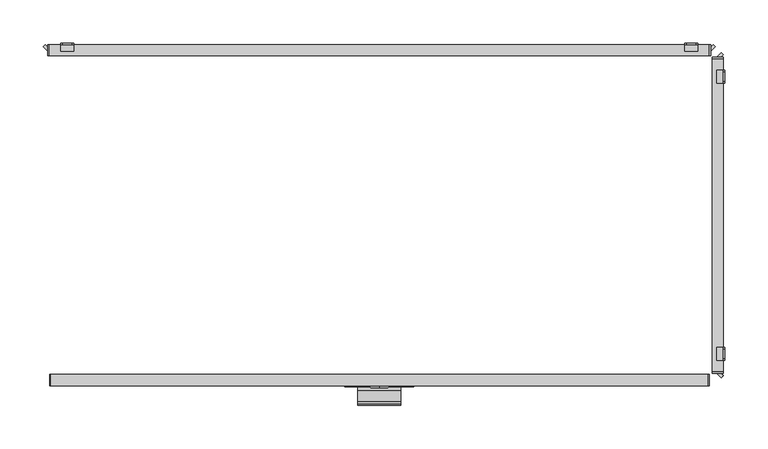
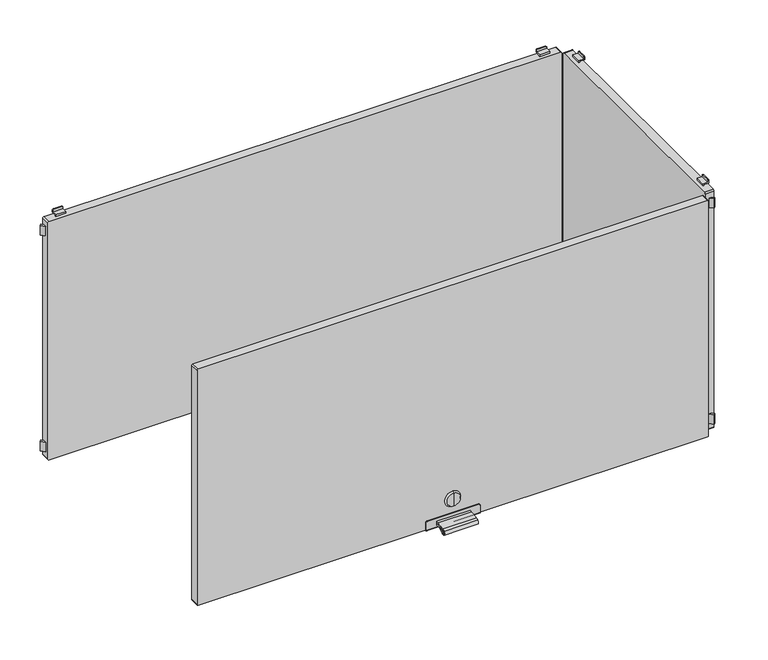
"""IFC4 building model written with IfcOpenShell, lengths in millimetres: furniture geometry."""

from ifc_helpers import new_model, si_unit, point, frame, frame_2d, origin, place, context, project, spatial, polyline, circle_curve, trimmed, segment, composite_curve, outline, extrude, source, transform, mapped, element, save
from ifc_brep_helpers import plane_surface, cylinder_surface, revolved_surface, advanced_brep


def furniture_6ed22f02(model_context):
    return source(origin(), model_context, "Body", "SolidModel", [
        extrude(outline(composite_curve([segment(polyline([(-202.226909, 130.4286545), (-198.5, 130.4286545), (-198.5, 128.5286545), (-202.226909, 128.5286545)]), True, "CONTINUOUS"), segment(trimmed(circle_curve(frame_2d((-202.226909, 86.4886922)), 42.0399623), [point((-202.226909, 128.5286545))], [point((-214.4555436, 126.710812))], True, "CARTESIAN"), True, "CONTINUOUS"), segment(trimmed(circle_curve(frame_2d((-212.0259096, 118.7193203)), 8.352668), [point((-214.4555436, 126.710812))], [point((-216.9670362, 125.4537341))], True, "CARTESIAN"), True, "CONTINUOUS"), segment(trimmed(circle_curve(frame_2d((-215.7726745, 123.8259018)), 2.0189943), [point((-216.9670362, 125.4537341))], [point((-214.4167634, 122.3299595))], True, "CARTESIAN"), True, "CONTINUOUS"), segment(trimmed(circle_curve(frame_2d((-202.2269079, 108.8812021)), 18.1510786), [point((-214.4167634, 122.3299595))], [point((-202.2269079, 127.0322806))], False, "CARTESIAN"), True, "CONTINUOUS"), segment(polyline([(-202.2269079, 127.0322806), (-198.5, 127.0322806), (-198.5, 125.1322806), (-202.2269079, 125.1322806)]), True, "CONTINUOUS"), segment(trimmed(circle_curve(frame_2d((-202.2269079, 108.8812021)), 16.2510786), [point((-202.2269079, 125.1322806))], [point((-213.1407662, 120.9221843))], True, "CARTESIAN"), True, "CONTINUOUS"), segment(trimmed(circle_curve(frame_2d((-215.7726745, 123.8259018)), 3.9189943), [point((-213.1407662, 120.9221843))], [point((-218.0910053, 126.9856263))], False, "CARTESIAN"), True, "CONTINUOUS"), segment(trimmed(circle_curve(frame_2d((-212.0259096, 118.7193203)), 10.252668), [point((-218.0910053, 126.9856263))], [point((-215.0082179, 128.5286545))], False, "CARTESIAN"), True, "CONTINUOUS"), segment(trimmed(circle_curve(frame_2d((-202.226909, 86.4886922)), 43.9399623), [point((-215.0082179, 128.5286545))], [point((-202.226909, 130.4286545))], False, "CARTESIAN"), True, "CONTINUOUS")], self_intersect=False)), frame((-25.0, 0.0, 0.0), z_axis=(1.0, 0.0, 0.0), x_axis=(0.0, 1.0, 0.0)), (0.0, 0.0, 1.0), 50.0),
        advanced_brep(
        [(0.0, -199.7, 156.6837841), (0.0, -199.7, 166.6265951), (0.0, -199.7, 146.740973), (0.0, -197.0, 144.8059292), (0.0, -197.0, 168.5616389), (0.0, -197.0, 156.6837841)],
        [
            (0, 1),
            (1, 2, circle_curve(frame((0.0, -199.7, 156.6837841), z_axis=(0.0, -1.0, 0.0), x_axis=(0.0, 0.0, 1.0)), 9.9428111)),
            (2, 0),
            (2, 1, circle_curve(frame((0.0, -199.7, 156.6837841), z_axis=(0.0, -1.0, 0.0), x_axis=(0.0, 0.0, 1.0)), 9.9428111)),
            (3, 4, circle_curve(frame((0.0, -197.0, 156.6837841), z_axis=(0.0, 1.0, 0.0), x_axis=(0.0, 0.0, 1.0)), 11.8778548)),
            (4, 5),
            (5, 3),
            (4, 3, circle_curve(frame((0.0, -197.0, 156.6837841), z_axis=(0.0, 1.0, 0.0), x_axis=(0.0, 0.0, 1.0)), 11.8778548)),
            (1, 4),
            (3, 2),
        ],
        [
            plane_surface(frame((0.0, -199.7, 156.6837841), z_axis=(0.0, -1.0, 0.0), x_axis=(0.0, 0.0, 1.0))),
            plane_surface(frame((0.0, -197.0, 156.6837841), z_axis=(0.0, 1.0, 0.0), x_axis=(0.0, 0.0, 1.0))),
            revolved_surface(polyline([(0.0, -197.0, 168.5616389), (0.0, -199.7, 166.6265951)]), (0.0, -202.2563621, 156.6837841), (0.0, -1.0, 0.0)),
        ],
        [
            (0, [[1, 2, 3]]),
            (0, [[-3, 4, -1]]),
            (1, [[5, 6, 7]]),
            (1, [[8, -7, -6]]),
            (2, [[-2, 9, -5, 10]]),
            (2, [[-4, -10, -8, -9]]),
        ],
    ),
        advanced_brep(
        [(38.2, -198.5, 135.0), (-38.2, -198.5, 135.0), (-40.0, -198.5, 133.2), (-40.0, -198.5, 122.0), (40.0, -198.5, 122.0), (40.0, -198.5, 133.2), (38.2, -197.0, 135.0), (40.0, -197.0, 133.2), (40.0, -197.0, 121.5), (-40.0, -197.0, 121.5), (-40.0, -197.0, 133.2), (-38.2, -197.0, 135.0), (-40.0, -184.0, 121.5), (-40.0, -184.0, 120.0), (-40.0, -196.5, 120.0), (40.0, -196.5, 120.0), (40.0, -184.0, 120.0), (40.0, -184.0, 121.5)],
        [
            (0, 1),
            (1, 2, circle_curve(frame((-38.2, -198.5, 133.2), z_axis=(0.0, -1.0, 0.0), x_axis=(1.0, 0.0, 0.0)), 1.8)),
            (2, 3),
            (3, 4),
            (4, 5),
            (5, 0, circle_curve(frame((38.2, -198.5, 133.2), z_axis=(0.0, -1.0, 0.0), x_axis=(1.0, 0.0, 0.0)), 1.8)),
            (6, 7, circle_curve(frame((38.2, -197.0, 133.2), z_axis=(0.0, 1.0, 0.0), x_axis=(1.0, 0.0, 0.0)), 1.8)),
            (7, 8),
            (8, 9),
            (9, 10),
            (10, 11, circle_curve(frame((-38.2, -197.0, 133.2), z_axis=(0.0, 1.0, 0.0), x_axis=(1.0, 0.0, 0.0)), 1.8)),
            (11, 6),
            (0, 6),
            (11, 1),
            (10, 2),
            (9, 12),
            (12, 13),
            (13, 14),
            (14, 3, circle_curve(frame((-40.0, -196.5, 122.0), z_axis=(-1.0, 0.0, 0.0), x_axis=(0.0, 1.0, 0.0)), 2.0)),
            (4, 15, circle_curve(frame((40.0, -196.5, 122.0), z_axis=(1.0, 0.0, 0.0), x_axis=(0.0, 1.0, 0.0)), 2.0)),
            (15, 16),
            (16, 17),
            (17, 8),
            (7, 5),
            (15, 14),
            (13, 16),
            (12, 17),
        ],
        [
            plane_surface(frame((-40.0, -198.5, 135.0), z_axis=(0.0, -1.0, 0.0), x_axis=(-1.0, 0.0, 0.0))),
            plane_surface(frame((-40.0, -197.0, 135.0), z_axis=(0.0, 1.0, 0.0), x_axis=(1.0, 0.0, 0.0))),
            plane_surface(frame((38.2, -198.5, 135.0), z_axis=(0.0, 0.0, 1.0), x_axis=(0.0, 1.0, 0.0))),
            cylinder_surface(frame((-38.2, -197.0, 133.2), z_axis=(0.0, -1.0, 0.0), x_axis=(1.0, 0.0, 0.0)), 1.8),
            plane_surface(frame((-40.0, -198.5, 133.2), z_axis=(-1.0, 0.0, 0.0), x_axis=(0.0, 1.0, 0.0))),
            plane_surface(frame((40.0, -198.5, 124.5), z_axis=(1.0, 0.0, 0.0), x_axis=(0.0, 1.0, 0.0))),
            cylinder_surface(frame((38.2, -197.0, 133.2), z_axis=(0.0, -1.0, 0.0), x_axis=(1.0, 0.0, 0.0)), 1.8),
            plane_surface(frame((40.0, -196.5, 120.0), z_axis=(0.0, 0.0, -1.0), x_axis=(-1.0, 0.0, 0.0))),
            plane_surface(frame((40.0, -184.0, 120.0), z_axis=(0.0, 1.0, 0.0), x_axis=(-1.0, 0.0, 0.0))),
            plane_surface(frame((40.0, -184.0, 121.5), z_axis=(0.0, 0.0, 1.0), x_axis=(-1.0, 0.0, 0.0))),
            cylinder_surface(frame((-40.0, -196.5, 122.0), z_axis=(1.0, 0.0, 0.0), x_axis=(0.0, 1.0, 0.0)), 2.0),
        ],
        [
            (0, [[1, 2, 3, 4, 5, 6]]),
            (1, [[7, 8, 9, 10, 11, 12]]),
            (2, [[-1, 13, -12, 14]]),
            (3, [[-2, -14, -11, 15]]),
            (4, [[-3, -15, -10, 16, 17, 18, 19]]),
            (5, [[-5, 20, 21, 22, 23, -8, 24]]),
            (6, [[-6, -24, -7, -13]]),
            (7, [[-21, 25, -18, 26]]),
            (8, [[-22, -26, -17, 27]]),
            (9, [[-23, -27, -16, -9]]),
            (10, [[-20, -4, -19, -25]]),
        ],
    ),
        extrude(outline(composite_curve([segment(polyline([(493.5, 379.0), (493.5, -379.0)]), True, "CONTINUOUS"), segment(trimmed(circle_curve(frame_2d((492.0, -379.0)), 1.5), [point((493.5, -379.0))], [point((492.0, -380.5))], False, "CARTESIAN"), True, "CONTINUOUS"), segment(polyline([(492.0, -380.5), (123.0, -380.5)]), True, "CONTINUOUS"), segment(trimmed(circle_curve(frame_2d((123.0, -379.0)), 1.5), [point((123.0, -380.5))], [point((121.5, -379.0))], False, "CARTESIAN"), True, "CONTINUOUS"), segment(polyline([(121.5, -379.0), (121.5, 379.0)]), True, "CONTINUOUS"), segment(trimmed(circle_curve(frame_2d((123.0, 379.0)), 1.5), [point((121.5, 379.0))], [point((123.0, 380.5))], False, "CARTESIAN"), True, "CONTINUOUS"), segment(polyline([(123.0, 380.5), (492.0, 380.5)]), True, "CONTINUOUS"), segment(trimmed(circle_curve(frame_2d((492.0, 379.0)), 1.5), [point((492.0, 380.5))], [point((493.5, 379.0))], False, "CARTESIAN"), True, "CONTINUOUS")], self_intersect=False)), frame((0.0, -197.0, 0.0), z_axis=(0.0, 1.0, 0.0), x_axis=(0.0, 0.0, 1.0)), (0.0, 0.0, 1.0), 13.0),
        advanced_brep(
        [(352.5, 197.0, 115.5), (354.5, 197.0, 113.5), (365.5, 197.0, 113.5), (367.5, 197.0, 115.5), (367.5, 197.0, 117.0), (352.5, 197.0, 117.0), (352.5, 198.5, 118.5), (367.5, 198.5, 118.5), (367.5, 198.5, 115.5), (365.5, 198.5, 113.5), (354.5, 198.5, 113.5), (352.5, 198.5, 115.5), (352.5, 189.5011497, 117.0), (352.5, 189.5011497, 120.0), (352.5, 191.0011497, 120.0), (352.5, 191.0011497, 118.5), (367.5, 191.0011497, 118.5), (367.5, 191.0011497, 120.0), (367.5, 189.5011497, 120.0), (367.5, 189.5011497, 117.0)],
        [
            (0, 1, circle_curve(frame((354.5, 197.0, 115.5), z_axis=(0.0, -1.0, 0.0), x_axis=(1.0, 0.0, 0.0)), 2.0)),
            (1, 2),
            (2, 3, circle_curve(frame((365.5, 197.0, 115.5), z_axis=(0.0, -1.0, 0.0), x_axis=(1.0, 0.0, 0.0)), 2.0)),
            (3, 4),
            (4, 5),
            (5, 0),
            (6, 7),
            (7, 8),
            (8, 9, circle_curve(frame((365.5, 198.5, 115.5), z_axis=(0.0, 1.0, 0.0), x_axis=(1.0, 0.0, 0.0)), 2.0)),
            (9, 10),
            (10, 11, circle_curve(frame((354.5, 198.5, 115.5), z_axis=(0.0, 1.0, 0.0), x_axis=(1.0, 0.0, 0.0)), 2.0)),
            (11, 6),
            (11, 0),
            (5, 12),
            (12, 13),
            (13, 14),
            (14, 15),
            (15, 6),
            (10, 1),
            (9, 2),
            (8, 3),
            (7, 16),
            (16, 17),
            (17, 18),
            (18, 19),
            (19, 4),
            (15, 16),
            (12, 19),
            (18, 13),
            (17, 14),
        ],
        [
            plane_surface(frame((352.5, 197.0, 117.0), z_axis=(0.0, -1.0, 0.0), x_axis=(0.0, 0.0, -1.0))),
            plane_surface(frame((352.5, 198.5, 117.0), z_axis=(0.0, 1.0, 0.0), x_axis=(0.0, 0.0, 1.0))),
            plane_surface(frame((352.5, 197.0, 118.5), z_axis=(-1.0, 0.0, 0.0), x_axis=(0.0, 1.0, 0.0))),
            cylinder_surface(frame((354.5, 198.5, 115.5), z_axis=(0.0, -1.0, 0.0), x_axis=(1.0, 0.0, 0.0)), 2.0),
            plane_surface(frame((354.5, 197.0, 113.5), z_axis=(0.0, 0.0, -1.0), x_axis=(0.0, 1.0, 0.0))),
            cylinder_surface(frame((365.5, 198.5, 115.5), z_axis=(0.0, -1.0, 0.0), x_axis=(1.0, 0.0, 0.0)), 2.0),
            plane_surface(frame((367.5, 197.0, 115.5), z_axis=(1.0, 0.0, 0.0), x_axis=(0.0, 1.0, 0.0))),
            plane_surface(frame((367.5, 197.0, 118.5), z_axis=(0.0, 0.0, 1.0), x_axis=(0.0, 1.0, 0.0))),
            plane_surface(frame((352.5, 189.5011497, 117.0), z_axis=(0.0, -1.0, 0.0), x_axis=(1.0, 0.0, 0.0))),
            plane_surface(frame((352.5, 189.5011497, 120.0), z_axis=(0.0, 0.0, 1.0), x_axis=(1.0, 0.0, 0.0))),
            plane_surface(frame((352.5, 191.0011497, 120.0), z_axis=(0.0, 1.0, 0.0), x_axis=(1.0, 0.0, 0.0))),
            plane_surface(frame((352.5, 197.0, 117.0), z_axis=(0.0, 0.0, -1.0), x_axis=(1.0, 0.0, 0.0))),
        ],
        [
            (0, [[1, 2, 3, 4, 5, 6]]),
            (1, [[7, 8, 9, 10, 11, 12]]),
            (2, [[-12, 13, -6, 14, 15, 16, 17, 18]]),
            (3, [[-1, -13, -11, 19]]),
            (4, [[-2, -19, -10, 20]]),
            (5, [[-3, -20, -9, 21]]),
            (6, [[-8, 22, 23, 24, 25, 26, -4, -21]]),
            (7, [[-22, -7, -18, 27]]),
            (8, [[-15, 28, -25, 29]]),
            (9, [[-16, -29, -24, 30]]),
            (10, [[-17, -30, -23, -27]]),
            (11, [[-14, -5, -26, -28]]),
        ],
    ),
        advanced_brep(
        [(-367.5, 197.0, 115.5), (-365.5, 197.0, 113.5), (-354.5, 197.0, 113.5), (-352.5, 197.0, 115.5), (-352.5, 197.0, 117.0), (-367.5, 197.0, 117.0), (-352.5, 198.5, 118.5), (-352.5, 198.5, 115.5), (-354.5, 198.5, 113.5), (-365.5, 198.5, 113.5), (-367.5, 198.5, 115.5), (-367.5, 198.5, 118.5), (-367.5, 191.0011497, 118.5), (-352.5, 191.0011497, 118.5), (-367.5, 189.5011497, 117.0), (-367.5, 189.5011497, 120.0), (-367.5, 191.0011497, 120.0), (-352.5, 191.0011497, 120.0), (-352.5, 189.5011497, 120.0), (-352.5, 189.5011497, 117.0)],
        [
            (0, 1, circle_curve(frame((-365.5, 197.0, 115.5), z_axis=(0.0, -1.0, 0.0), x_axis=(1.0, 0.0, 0.0)), 2.0)),
            (1, 2),
            (2, 3, circle_curve(frame((-354.5, 197.0, 115.5), z_axis=(0.0, -1.0, 0.0), x_axis=(1.0, 0.0, 0.0)), 2.0)),
            (3, 4),
            (4, 5),
            (5, 0),
            (6, 7),
            (7, 8, circle_curve(frame((-354.5, 198.5, 115.5), z_axis=(0.0, 1.0, 0.0), x_axis=(1.0, 0.0, 0.0)), 2.0)),
            (8, 9),
            (9, 10, circle_curve(frame((-365.5, 198.5, 115.5), z_axis=(0.0, 1.0, 0.0), x_axis=(1.0, 0.0, 0.0)), 2.0)),
            (10, 11),
            (11, 6),
            (11, 12),
            (12, 13),
            (13, 6),
            (10, 0),
            (5, 14),
            (14, 15),
            (15, 16),
            (16, 12),
            (9, 1),
            (8, 2),
            (7, 3),
            (13, 17),
            (17, 18),
            (18, 19),
            (19, 4),
            (18, 15),
            (14, 19),
            (17, 16),
        ],
        [
            plane_surface(frame((352.5, 197.0, 117.0), z_axis=(0.0, -1.0, 0.0), x_axis=(0.0, 0.0, -1.0))),
            plane_surface(frame((352.5, 198.5, 117.0), z_axis=(0.0, 1.0, 0.0), x_axis=(0.0, 0.0, 1.0))),
            plane_surface(frame((-352.5, 197.0, 118.5), z_axis=(0.0, 0.0, 1.0), x_axis=(0.0, 1.0, 0.0))),
            plane_surface(frame((-367.5, 197.0, 118.5), z_axis=(-1.0, 0.0, 0.0), x_axis=(0.0, 1.0, 0.0))),
            cylinder_surface(frame((-365.5, 200.0, 115.5), z_axis=(0.0, -1.0, 0.0), x_axis=(1.0, 0.0, 0.0)), 2.0),
            plane_surface(frame((-365.5, 197.0, 113.5), z_axis=(0.0, 0.0, -1.0), x_axis=(0.0, 1.0, 0.0))),
            cylinder_surface(frame((-354.5, 200.0, 115.5), z_axis=(0.0, -1.0, 0.0), x_axis=(1.0, 0.0, 0.0)), 2.0),
            plane_surface(frame((-352.5, 197.0, 115.5), z_axis=(1.0, 0.0, 0.0), x_axis=(0.0, 1.0, 0.0))),
            plane_surface(frame((-352.5, 189.5011497, 120.0), z_axis=(0.0, -1.0, 0.0), x_axis=(-1.0, 0.0, 0.0))),
            plane_surface(frame((-352.5, 191.0011497, 120.0), z_axis=(0.0, 0.0, 1.0), x_axis=(-1.0, 0.0, 0.0))),
            plane_surface(frame((-352.5, 191.0011497, 118.5), z_axis=(0.0, 1.0, 0.0), x_axis=(-1.0, 0.0, 0.0))),
            plane_surface(frame((-352.5, 189.5011497, 117.0), z_axis=(0.0, 0.0, -1.0), x_axis=(-1.0, 0.0, 0.0))),
        ],
        [
            (0, [[1, 2, 3, 4, 5, 6]]),
            (1, [[7, 8, 9, 10, 11, 12]]),
            (2, [[-12, 13, 14, 15]]),
            (3, [[-11, 16, -6, 17, 18, 19, 20, -13]]),
            (4, [[-1, -16, -10, 21]]),
            (5, [[-2, -21, -9, 22]]),
            (6, [[-3, -22, -8, 23]]),
            (7, [[-7, -15, 24, 25, 26, 27, -4, -23]]),
            (8, [[-26, 28, -18, 29]]),
            (9, [[-25, 30, -19, -28]]),
            (10, [[-24, -14, -20, -30]]),
            (11, [[-27, -29, -17, -5]]),
        ],
    ),
        advanced_brep(
        [(367.5, 197.0, 499.5), (365.5, 197.0, 501.5), (354.5, 197.0, 501.5), (352.5, 197.0, 499.5), (352.5, 197.0, 498.0), (367.5, 197.0, 498.0), (352.5, 198.5, 496.5), (352.5, 198.5, 499.5), (354.5, 198.5, 501.5), (365.5, 198.5, 501.5), (367.5, 198.5, 499.5), (367.5, 198.5, 496.5), (352.5, 189.5011497, 498.0), (352.5, 191.0011497, 496.5), (352.5, 191.0011497, 495.0), (352.5, 189.5011497, 495.0), (367.5, 189.5011497, 498.0), (367.5, 189.5011497, 495.0), (367.5, 191.0011497, 495.0), (367.5, 191.0011497, 496.5)],
        [
            (0, 1, circle_curve(frame((365.5, 197.0, 499.5), z_axis=(0.0, -1.0, 0.0), x_axis=(1.0, 0.0, 0.0)), 2.0)),
            (1, 2),
            (2, 3, circle_curve(frame((354.5, 197.0, 499.5), z_axis=(0.0, -1.0, 0.0), x_axis=(1.0, 0.0, 0.0)), 2.0)),
            (3, 4),
            (4, 5),
            (5, 0),
            (6, 7),
            (7, 8, circle_curve(frame((354.5, 198.5, 499.5), z_axis=(0.0, 1.0, 0.0), x_axis=(1.0, 0.0, 0.0)), 2.0)),
            (8, 9),
            (9, 10, circle_curve(frame((365.5, 198.5, 499.5), z_axis=(0.0, 1.0, 0.0), x_axis=(1.0, 0.0, 0.0)), 2.0)),
            (10, 11),
            (11, 6),
            (12, 4),
            (3, 7),
            (6, 13),
            (13, 14),
            (14, 15),
            (15, 12),
            (16, 17),
            (17, 18),
            (18, 19),
            (19, 11),
            (10, 0),
            (5, 16),
            (19, 13),
            (9, 1),
            (8, 2),
            (12, 16),
            (18, 14),
            (17, 15),
        ],
        [
            plane_surface(frame((352.5, 197.0, 117.0), z_axis=(0.0, -1.0, 0.0), x_axis=(0.0, 0.0, -1.0))),
            plane_surface(frame((352.5, 198.5, 117.0), z_axis=(0.0, 1.0, 0.0), x_axis=(0.0, 0.0, 1.0))),
            plane_surface(frame((352.5, 197.0, 118.5), z_axis=(-1.0, 0.0, 0.0), x_axis=(0.0, 1.0, 0.0))),
            plane_surface(frame((367.5, 197.0, 115.5), z_axis=(1.0, 0.0, 0.0), x_axis=(0.0, 1.0, 0.0))),
            plane_surface(frame((352.5, 197.0, 496.5), z_axis=(0.0, 0.0, -1.0), x_axis=(0.0, 1.0, 0.0))),
            cylinder_surface(frame((365.5, 200.0, 499.5), z_axis=(0.0, -1.0, 0.0), x_axis=(1.0, 0.0, 0.0)), 2.0),
            plane_surface(frame((365.5, 197.0, 501.5), z_axis=(0.0, 0.0, 1.0), x_axis=(0.0, 1.0, 0.0))),
            cylinder_surface(frame((354.5, 200.0, 499.5), z_axis=(0.0, -1.0, 0.0), x_axis=(1.0, 0.0, 0.0)), 2.0),
            plane_surface(frame((352.5, 189.5011497, 498.0), z_axis=(0.0, 0.0, 1.0), x_axis=(1.0, 0.0, 0.0))),
            plane_surface(frame((352.5, 191.0011497, 496.5), z_axis=(0.0, 1.0, 0.0), x_axis=(1.0, 0.0, 0.0))),
            plane_surface(frame((352.5, 191.0011497, 495.0), z_axis=(0.0, 0.0, -1.0), x_axis=(1.0, 0.0, 0.0))),
            plane_surface(frame((352.5, 189.5011497, 495.0), z_axis=(0.0, -1.0, 0.0), x_axis=(1.0, 0.0, 0.0))),
        ],
        [
            (0, [[1, 2, 3, 4, 5, 6]]),
            (1, [[7, 8, 9, 10, 11, 12]]),
            (2, [[13, -4, 14, -7, 15, 16, 17, 18]]),
            (3, [[19, 20, 21, 22, -11, 23, -6, 24]]),
            (4, [[-15, -12, -22, 25]]),
            (5, [[-1, -23, -10, 26]]),
            (6, [[-2, -26, -9, 27]]),
            (7, [[-3, -27, -8, -14]]),
            (8, [[-13, 28, -24, -5]]),
            (9, [[-16, -25, -21, 29]]),
            (10, [[-17, -29, -20, 30]]),
            (11, [[-18, -30, -19, -28]]),
        ],
    ),
        advanced_brep(
        [(-352.5, 197.0, 499.5), (-354.5, 197.0, 501.5), (-365.5, 197.0, 501.5), (-367.5, 197.0, 499.5), (-367.5, 197.0, 498.0), (-352.5, 197.0, 498.0), (-352.5, 198.5, 496.5), (-367.5, 198.5, 496.5), (-367.5, 198.5, 499.5), (-365.5, 198.5, 501.5), (-354.5, 198.5, 501.5), (-352.5, 198.5, 499.5), (-367.5, 191.0011497, 496.5), (-367.5, 191.0011497, 495.0), (-367.5, 189.5011497, 495.0), (-367.5, 189.5011497, 498.0), (-352.5, 189.5011497, 498.0), (-352.5, 189.5011497, 495.0), (-352.5, 191.0011497, 495.0), (-352.5, 191.0011497, 496.5)],
        [
            (0, 1, circle_curve(frame((-354.5, 197.0, 499.5), z_axis=(0.0, -1.0, 0.0), x_axis=(1.0, 0.0, 0.0)), 2.0)),
            (1, 2),
            (2, 3, circle_curve(frame((-365.5, 197.0, 499.5), z_axis=(0.0, -1.0, 0.0), x_axis=(1.0, 0.0, 0.0)), 2.0)),
            (3, 4),
            (4, 5),
            (5, 0),
            (6, 7),
            (7, 8),
            (8, 9, circle_curve(frame((-365.5, 198.5, 499.5), z_axis=(0.0, 1.0, 0.0), x_axis=(1.0, 0.0, 0.0)), 2.0)),
            (9, 10),
            (10, 11, circle_curve(frame((-354.5, 198.5, 499.5), z_axis=(0.0, 1.0, 0.0), x_axis=(1.0, 0.0, 0.0)), 2.0)),
            (11, 6),
            (7, 12),
            (12, 13),
            (13, 14),
            (14, 15),
            (15, 4),
            (3, 8),
            (11, 0),
            (5, 16),
            (16, 17),
            (17, 18),
            (18, 19),
            (19, 6),
            (10, 1),
            (9, 2),
            (19, 12),
            (15, 16),
            (18, 13),
            (17, 14),
        ],
        [
            plane_surface(frame((352.5, 197.0, 117.0), z_axis=(0.0, -1.0, 0.0), x_axis=(0.0, 0.0, -1.0))),
            plane_surface(frame((352.5, 198.5, 117.0), z_axis=(0.0, 1.0, 0.0), x_axis=(0.0, 0.0, 1.0))),
            plane_surface(frame((-367.5, 197.0, 118.5), z_axis=(-1.0, 0.0, 0.0), x_axis=(0.0, 1.0, 0.0))),
            plane_surface(frame((-352.5, 197.0, 115.5), z_axis=(1.0, 0.0, 0.0), x_axis=(0.0, 1.0, 0.0))),
            cylinder_surface(frame((-354.5, 200.0, 499.5), z_axis=(0.0, -1.0, 0.0), x_axis=(1.0, 0.0, 0.0)), 2.0),
            plane_surface(frame((-354.5, 197.0, 501.5), z_axis=(0.0, 0.0, 1.0), x_axis=(0.0, 1.0, 0.0))),
            cylinder_surface(frame((-365.5, 200.0, 499.5), z_axis=(0.0, -1.0, 0.0), x_axis=(1.0, 0.0, 0.0)), 2.0),
            plane_surface(frame((-367.5, 197.0, 496.5), z_axis=(0.0, 0.0, -1.0), x_axis=(0.0, 1.0, 0.0))),
            plane_surface(frame((-352.5, 197.0, 498.0), z_axis=(0.0, 0.0, 1.0), x_axis=(-1.0, 0.0, 0.0))),
            plane_surface(frame((-352.5, 191.0011497, 495.0), z_axis=(0.0, 1.0, 0.0), x_axis=(-1.0, 0.0, 0.0))),
            plane_surface(frame((-352.5, 189.5011497, 495.0), z_axis=(0.0, 0.0, -1.0), x_axis=(-1.0, 0.0, 0.0))),
            plane_surface(frame((-352.5, 189.5011497, 498.0), z_axis=(0.0, -1.0, 0.0), x_axis=(-1.0, 0.0, 0.0))),
        ],
        [
            (0, [[1, 2, 3, 4, 5, 6]]),
            (1, [[7, 8, 9, 10, 11, 12]]),
            (2, [[-8, 13, 14, 15, 16, 17, -4, 18]]),
            (3, [[-12, 19, -6, 20, 21, 22, 23, 24]]),
            (4, [[-1, -19, -11, 25]]),
            (5, [[-2, -25, -10, 26]]),
            (6, [[-3, -26, -9, -18]]),
            (7, [[-7, -24, 27, -13]]),
            (8, [[-20, -5, -17, 28]]),
            (9, [[-23, 29, -14, -27]]),
            (10, [[-22, 30, -15, -29]]),
            (11, [[-21, -28, -16, -30]]),
        ],
    ),
        extrude(outline(polyline([(-385.3223305, 197.0), (-382.5, 194.1776695), (-382.5, 189.5011497), (-387.6605904, 194.6617401), (-385.3223305, 197.0)])), frame((0.0, 0.0, 130.0), z_axis=(0.0, 0.0, 1.0), x_axis=(1.0, 0.0, 0.0)), (0.0, 0.0, 1.0), 15.0),
        extrude(outline(polyline([(385.3223305, 197.0), (387.6605904, 194.6617401), (382.5, 189.5011497), (382.5, 194.1776695), (385.3223305, 197.0)])), frame((0.0, 0.0, 130.0), z_axis=(0.0, 0.0, 1.0), x_axis=(1.0, 0.0, 0.0)), (0.0, 0.0, 1.0), 15.0),
        extrude(outline(composite_curve([segment(trimmed(circle_curve(frame_2d((493.2, 380.7)), 1.8), [point((493.2, 382.5))], [point((495.0, 380.7))], False, "CARTESIAN"), True, "CONTINUOUS"), segment(polyline([(495.0, 380.7), (495.0, -380.7)]), True, "CONTINUOUS"), segment(trimmed(circle_curve(frame_2d((493.2, -380.7)), 1.8), [point((495.0, -380.7))], [point((493.2, -382.5))], False, "CARTESIAN"), True, "CONTINUOUS"), segment(polyline([(493.2, -382.5), (121.8, -382.5)]), True, "CONTINUOUS"), segment(trimmed(circle_curve(frame_2d((121.8, -380.7)), 1.8), [point((121.8, -382.5))], [point((120.0, -380.7))], False, "CARTESIAN"), True, "CONTINUOUS"), segment(polyline([(120.0, -380.7), (120.0, 380.7)]), True, "CONTINUOUS"), segment(trimmed(circle_curve(frame_2d((121.8, 380.7)), 1.8), [point((120.0, 380.7))], [point((121.8, 382.5))], False, "CARTESIAN"), True, "CONTINUOUS"), segment(polyline([(121.8, 382.5), (493.2, 382.5)]), True, "CONTINUOUS")], self_intersect=False)), frame((0.0, 183.999795, 0.0), z_axis=(0.0, 1.0, 0.0), x_axis=(0.0, 0.0, 1.0)), (0.0, 0.0, 1.0), 13.000205),
        extrude(outline(polyline([(-385.3223305, 197.0), (-382.5, 194.1776695), (-382.5, 189.5011497), (-387.6605904, 194.6617401), (-385.3223305, 197.0)])), frame((0.0, 0.0, 470.0), z_axis=(0.0, 0.0, 1.0), x_axis=(1.0, 0.0, 0.0)), (0.0, 0.0, 1.0), 15.0),
        extrude(outline(polyline([(385.3223305, 197.0), (387.6605904, 194.6617401), (382.5, 189.5011497), (382.5, 194.1776695), (385.3223305, 197.0)])), frame((0.0, 0.0, 470.0), z_axis=(0.0, 0.0, 1.0), x_axis=(1.0, 0.0, 0.0)), (0.0, 0.0, 1.0), 15.0),
        advanced_brep(
        [(397.0, 152.5, 115.5), (397.0, 152.5, 117.0), (397.0, 167.5, 117.0), (397.0, 167.5, 115.5), (397.0, 165.5, 113.5), (397.0, 154.5, 113.5), (398.5, 152.5, 118.5), (398.5, 152.5, 115.5), (398.5, 154.5, 113.5), (398.5, 165.5, 113.5), (398.5, 167.5, 115.5), (398.5, 167.5, 118.5), (391.0011497, 152.5, 118.5), (391.0011497, 152.5, 120.0), (389.5011497, 152.5, 120.0), (389.5011497, 152.5, 117.0), (389.5011497, 167.5, 117.0), (389.5011497, 167.5, 120.0), (391.0011497, 167.5, 120.0), (391.0011497, 167.5, 118.5)],
        [
            (0, 1),
            (1, 2),
            (2, 3),
            (3, 4, circle_curve(frame((397.0, 165.5, 115.5), z_axis=(-1.0, 0.0, 0.0), x_axis=(0.0, 1.0, 0.0)), 2.0)),
            (4, 5),
            (5, 0, circle_curve(frame((397.0, 154.5, 115.5), z_axis=(-1.0, 0.0, 0.0), x_axis=(0.0, 1.0, 0.0)), 2.0)),
            (6, 7),
            (7, 8, circle_curve(frame((398.5, 154.5, 115.5), z_axis=(1.0, 0.0, 0.0), x_axis=(0.0, 1.0, 0.0)), 2.0)),
            (8, 9),
            (9, 10, circle_curve(frame((398.5, 165.5, 115.5), z_axis=(1.0, 0.0, 0.0), x_axis=(0.0, 1.0, 0.0)), 2.0)),
            (10, 11),
            (11, 6),
            (6, 12),
            (12, 13),
            (13, 14),
            (14, 15),
            (15, 1),
            (0, 7),
            (5, 8),
            (4, 9),
            (3, 10),
            (2, 16),
            (16, 17),
            (17, 18),
            (18, 19),
            (19, 11),
            (19, 12),
            (14, 17),
            (16, 15),
            (13, 18),
        ],
        [
            plane_surface(frame((397.0, 152.5, 117.0), z_axis=(-1.0, 0.0, 0.0), x_axis=(0.0, 0.0, -1.0))),
            plane_surface(frame((398.5, 152.5, 117.0), z_axis=(1.0, 0.0, 0.0), x_axis=(0.0, 0.0, 1.0))),
            plane_surface(frame((397.0, 152.5, 118.5), z_axis=(0.0, -1.0, 0.0), x_axis=(1.0, 0.0, 0.0))),
            cylinder_surface(frame((398.5, 154.5, 115.5), z_axis=(-1.0, 0.0, 0.0), x_axis=(0.0, 1.0, 0.0)), 2.0),
            plane_surface(frame((397.0, 154.5, 113.5), z_axis=(0.0, 0.0, -1.0), x_axis=(1.0, 0.0, 0.0))),
            cylinder_surface(frame((398.5, 165.5, 115.5), z_axis=(-1.0, 0.0, 0.0), x_axis=(0.0, 1.0, 0.0)), 2.0),
            plane_surface(frame((397.0, 167.5, 115.5), z_axis=(0.0, 1.0, 0.0), x_axis=(1.0, 0.0, 0.0))),
            plane_surface(frame((397.0, 167.5, 118.5), z_axis=(0.0, 0.0, 1.0), x_axis=(1.0, 0.0, 0.0))),
            plane_surface(frame((389.5011497, 152.5, 117.0), z_axis=(-1.0, 0.0, 0.0), x_axis=(0.0, 1.0, 0.0))),
            plane_surface(frame((389.5011497, 152.5, 120.0), z_axis=(0.0, 0.0, 1.0), x_axis=(0.0, 1.0, 0.0))),
            plane_surface(frame((391.0011497, 152.5, 120.0), z_axis=(1.0, 0.0, 0.0), x_axis=(0.0, 1.0, 0.0))),
            plane_surface(frame((397.0, 152.5, 117.0), z_axis=(0.0, 0.0, -1.0), x_axis=(0.0, 1.0, 0.0))),
        ],
        [
            (0, [[1, 2, 3, 4, 5, 6]]),
            (1, [[7, 8, 9, 10, 11, 12]]),
            (2, [[13, 14, 15, 16, 17, -1, 18, -7]]),
            (3, [[19, -8, -18, -6]]),
            (4, [[20, -9, -19, -5]]),
            (5, [[21, -10, -20, -4]]),
            (6, [[-21, -3, 22, 23, 24, 25, 26, -11]]),
            (7, [[27, -13, -12, -26]]),
            (8, [[28, -23, 29, -16]]),
            (9, [[30, -24, -28, -15]]),
            (10, [[-27, -25, -30, -14]]),
            (11, [[-29, -22, -2, -17]]),
        ],
    ),
        advanced_brep(
        [(397.0, -167.5, 115.5), (397.0, -167.5, 117.0), (397.0, -152.5, 117.0), (397.0, -152.5, 115.5), (397.0, -154.5, 113.5), (397.0, -165.5, 113.5), (398.5, -152.5, 118.5), (398.5, -167.5, 118.5), (398.5, -167.5, 115.5), (398.5, -165.5, 113.5), (398.5, -154.5, 113.5), (398.5, -152.5, 115.5), (391.0011497, -152.5, 118.5), (391.0011497, -167.5, 118.5), (391.0011497, -167.5, 120.0), (389.5011497, -167.5, 120.0), (389.5011497, -167.5, 117.0), (389.5011497, -152.5, 117.0), (389.5011497, -152.5, 120.0), (391.0011497, -152.5, 120.0)],
        [
            (0, 1),
            (1, 2),
            (2, 3),
            (3, 4, circle_curve(frame((397.0, -154.5, 115.5), z_axis=(-1.0, 0.0, 0.0), x_axis=(0.0, 1.0, 0.0)), 2.0)),
            (4, 5),
            (5, 0, circle_curve(frame((397.0, -165.5, 115.5), z_axis=(-1.0, 0.0, 0.0), x_axis=(0.0, 1.0, 0.0)), 2.0)),
            (6, 7),
            (7, 8),
            (8, 9, circle_curve(frame((398.5, -165.5, 115.5), z_axis=(1.0, 0.0, 0.0), x_axis=(0.0, 1.0, 0.0)), 2.0)),
            (9, 10),
            (10, 11, circle_curve(frame((398.5, -154.5, 115.5), z_axis=(1.0, 0.0, 0.0), x_axis=(0.0, 1.0, 0.0)), 2.0)),
            (11, 6),
            (6, 12),
            (12, 13),
            (13, 7),
            (13, 14),
            (14, 15),
            (15, 16),
            (16, 1),
            (0, 8),
            (5, 9),
            (4, 10),
            (3, 11),
            (2, 17),
            (17, 18),
            (18, 19),
            (19, 12),
            (17, 16),
            (15, 18),
            (14, 19),
        ],
        [
            plane_surface(frame((397.0, 152.5, 117.0), z_axis=(-1.0, 0.0, 0.0), x_axis=(0.0, 0.0, -1.0))),
            plane_surface(frame((398.5, 152.5, 117.0), z_axis=(1.0, 0.0, 0.0), x_axis=(0.0, 0.0, 1.0))),
            plane_surface(frame((397.0, -152.5, 118.5), z_axis=(0.0, 0.0, 1.0), x_axis=(1.0, 0.0, 0.0))),
            plane_surface(frame((397.0, -167.5, 118.5), z_axis=(0.0, -1.0, 0.0), x_axis=(1.0, 0.0, 0.0))),
            cylinder_surface(frame((400.0, -165.5, 115.5), z_axis=(-1.0, 0.0, 0.0), x_axis=(0.0, 1.0, 0.0)), 2.0),
            plane_surface(frame((397.0, -165.5, 113.5), z_axis=(0.0, 0.0, -1.0), x_axis=(1.0, 0.0, 0.0))),
            cylinder_surface(frame((400.0, -154.5, 115.5), z_axis=(-1.0, 0.0, 0.0), x_axis=(0.0, 1.0, 0.0)), 2.0),
            plane_surface(frame((397.0, -152.5, 115.5), z_axis=(0.0, 1.0, 0.0), x_axis=(1.0, 0.0, 0.0))),
            plane_surface(frame((389.5011497, -152.5, 120.0), z_axis=(-1.0, 0.0, 0.0), x_axis=(0.0, -1.0, 0.0))),
            plane_surface(frame((391.0011497, -152.5, 120.0), z_axis=(0.0, 0.0, 1.0), x_axis=(0.0, -1.0, 0.0))),
            plane_surface(frame((391.0011497, -152.5, 118.5), z_axis=(1.0, 0.0, 0.0), x_axis=(0.0, -1.0, 0.0))),
            plane_surface(frame((389.5011497, -152.5, 117.0), z_axis=(0.0, 0.0, -1.0), x_axis=(0.0, -1.0, 0.0))),
        ],
        [
            (0, [[1, 2, 3, 4, 5, 6]]),
            (1, [[7, 8, 9, 10, 11, 12]]),
            (2, [[13, 14, 15, -7]]),
            (3, [[-15, 16, 17, 18, 19, -1, 20, -8]]),
            (4, [[21, -9, -20, -6]]),
            (5, [[22, -10, -21, -5]]),
            (6, [[23, -11, -22, -4]]),
            (7, [[-23, -3, 24, 25, 26, 27, -13, -12]]),
            (8, [[28, -18, 29, -25]]),
            (9, [[-29, -17, 30, -26]]),
            (10, [[-30, -16, -14, -27]]),
            (11, [[-2, -19, -28, -24]]),
        ],
    ),
        advanced_brep(
        [(397.0, 167.5, 499.5), (397.0, 167.5, 498.0), (397.0, 152.5, 498.0), (397.0, 152.5, 499.5), (397.0, 154.5, 501.5), (397.0, 165.5, 501.5), (398.5, 152.5, 496.5), (398.5, 167.5, 496.5), (398.5, 167.5, 499.5), (398.5, 165.5, 501.5), (398.5, 154.5, 501.5), (398.5, 152.5, 499.5), (389.5011497, 152.5, 498.0), (389.5011497, 152.5, 495.0), (391.0011497, 152.5, 495.0), (391.0011497, 152.5, 496.5), (389.5011497, 167.5, 498.0), (391.0011497, 167.5, 496.5), (391.0011497, 167.5, 495.0), (389.5011497, 167.5, 495.0)],
        [
            (0, 1),
            (1, 2),
            (2, 3),
            (3, 4, circle_curve(frame((397.0, 154.5, 499.5), z_axis=(-1.0, 0.0, 0.0), x_axis=(0.0, 1.0, 0.0)), 2.0)),
            (4, 5),
            (5, 0, circle_curve(frame((397.0, 165.5, 499.5), z_axis=(-1.0, 0.0, 0.0), x_axis=(0.0, 1.0, 0.0)), 2.0)),
            (6, 7),
            (7, 8),
            (8, 9, circle_curve(frame((398.5, 165.5, 499.5), z_axis=(1.0, 0.0, 0.0), x_axis=(0.0, 1.0, 0.0)), 2.0)),
            (9, 10),
            (10, 11, circle_curve(frame((398.5, 154.5, 499.5), z_axis=(1.0, 0.0, 0.0), x_axis=(0.0, 1.0, 0.0)), 2.0)),
            (11, 6),
            (12, 13),
            (13, 14),
            (14, 15),
            (15, 6),
            (11, 3),
            (2, 12),
            (16, 1),
            (0, 8),
            (7, 17),
            (17, 18),
            (18, 19),
            (19, 16),
            (15, 17),
            (5, 9),
            (4, 10),
            (16, 12),
            (14, 18),
            (13, 19),
        ],
        [
            plane_surface(frame((397.0, 152.5, 117.0), z_axis=(-1.0, 0.0, 0.0), x_axis=(0.0, 0.0, -1.0))),
            plane_surface(frame((398.5, 152.5, 117.0), z_axis=(1.0, 0.0, 0.0), x_axis=(0.0, 0.0, 1.0))),
            plane_surface(frame((397.0, 152.5, 118.5), z_axis=(0.0, -1.0, 0.0), x_axis=(1.0, 0.0, 0.0))),
            plane_surface(frame((397.0, 167.5, 115.5), z_axis=(0.0, 1.0, 0.0), x_axis=(1.0, 0.0, 0.0))),
            plane_surface(frame((397.0, 152.5, 496.5), z_axis=(0.0, 0.0, -1.0), x_axis=(1.0, 0.0, 0.0))),
            cylinder_surface(frame((400.0, 165.5, 499.5), z_axis=(-1.0, 0.0, 0.0), x_axis=(0.0, 1.0, 0.0)), 2.0),
            plane_surface(frame((397.0, 165.5, 501.5), z_axis=(0.0, 0.0, 1.0), x_axis=(1.0, 0.0, 0.0))),
            cylinder_surface(frame((400.0, 154.5, 499.5), z_axis=(-1.0, 0.0, 0.0), x_axis=(0.0, 1.0, 0.0)), 2.0),
            plane_surface(frame((389.5011497, 152.5, 498.0), z_axis=(0.0, 0.0, 1.0), x_axis=(0.0, 1.0, 0.0))),
            plane_surface(frame((391.0011497, 152.5, 496.5), z_axis=(1.0, 0.0, 0.0), x_axis=(0.0, 1.0, 0.0))),
            plane_surface(frame((391.0011497, 152.5, 495.0), z_axis=(0.0, 0.0, -1.0), x_axis=(0.0, 1.0, 0.0))),
            plane_surface(frame((389.5011497, 152.5, 495.0), z_axis=(-1.0, 0.0, 0.0), x_axis=(0.0, 1.0, 0.0))),
        ],
        [
            (0, [[1, 2, 3, 4, 5, 6]]),
            (1, [[7, 8, 9, 10, 11, 12]]),
            (2, [[13, 14, 15, 16, -12, 17, -3, 18]]),
            (3, [[19, -1, 20, -8, 21, 22, 23, 24]]),
            (4, [[25, -21, -7, -16]]),
            (5, [[26, -9, -20, -6]]),
            (6, [[27, -10, -26, -5]]),
            (7, [[-17, -11, -27, -4]]),
            (8, [[-2, -19, 28, -18]]),
            (9, [[29, -22, -25, -15]]),
            (10, [[30, -23, -29, -14]]),
            (11, [[-28, -24, -30, -13]]),
        ],
    ),
        advanced_brep(
        [(397.0, -152.5, 499.5), (397.0, -152.5, 498.0), (397.0, -167.5, 498.0), (397.0, -167.5, 499.5), (397.0, -165.5, 501.5), (397.0, -154.5, 501.5), (398.5, -152.5, 496.5), (398.5, -152.5, 499.5), (398.5, -154.5, 501.5), (398.5, -165.5, 501.5), (398.5, -167.5, 499.5), (398.5, -167.5, 496.5), (389.5011497, -167.5, 498.0), (389.5011497, -167.5, 495.0), (391.0011497, -167.5, 495.0), (391.0011497, -167.5, 496.5), (391.0011497, -152.5, 496.5), (391.0011497, -152.5, 495.0), (389.5011497, -152.5, 495.0), (389.5011497, -152.5, 498.0)],
        [
            (0, 1),
            (1, 2),
            (2, 3),
            (3, 4, circle_curve(frame((397.0, -165.5, 499.5), z_axis=(-1.0, 0.0, 0.0), x_axis=(0.0, 1.0, 0.0)), 2.0)),
            (4, 5),
            (5, 0, circle_curve(frame((397.0, -154.5, 499.5), z_axis=(-1.0, 0.0, 0.0), x_axis=(0.0, 1.0, 0.0)), 2.0)),
            (6, 7),
            (7, 8, circle_curve(frame((398.5, -154.5, 499.5), z_axis=(1.0, 0.0, 0.0), x_axis=(0.0, 1.0, 0.0)), 2.0)),
            (8, 9),
            (9, 10, circle_curve(frame((398.5, -165.5, 499.5), z_axis=(1.0, 0.0, 0.0), x_axis=(0.0, 1.0, 0.0)), 2.0)),
            (10, 11),
            (11, 6),
            (10, 3),
            (2, 12),
            (12, 13),
            (13, 14),
            (14, 15),
            (15, 11),
            (6, 16),
            (16, 17),
            (17, 18),
            (18, 19),
            (19, 1),
            (0, 7),
            (5, 8),
            (4, 9),
            (15, 16),
            (19, 12),
            (14, 17),
            (13, 18),
        ],
        [
            plane_surface(frame((397.0, 152.5, 117.0), z_axis=(-1.0, 0.0, 0.0), x_axis=(0.0, 0.0, -1.0))),
            plane_surface(frame((398.5, 152.5, 117.0), z_axis=(1.0, 0.0, 0.0), x_axis=(0.0, 0.0, 1.0))),
            plane_surface(frame((397.0, -167.5, 118.5), z_axis=(0.0, -1.0, 0.0), x_axis=(1.0, 0.0, 0.0))),
            plane_surface(frame((397.0, -152.5, 115.5), z_axis=(0.0, 1.0, 0.0), x_axis=(1.0, 0.0, 0.0))),
            cylinder_surface(frame((400.0, -154.5, 499.5), z_axis=(-1.0, 0.0, 0.0), x_axis=(0.0, 1.0, 0.0)), 2.0),
            plane_surface(frame((397.0, -154.5, 501.5), z_axis=(0.0, 0.0, 1.0), x_axis=(1.0, 0.0, 0.0))),
            cylinder_surface(frame((400.0, -165.5, 499.5), z_axis=(-1.0, 0.0, 0.0), x_axis=(0.0, 1.0, 0.0)), 2.0),
            plane_surface(frame((397.0, -167.5, 496.5), z_axis=(0.0, 0.0, -1.0), x_axis=(1.0, 0.0, 0.0))),
            plane_surface(frame((397.0, -152.5, 498.0), z_axis=(0.0, 0.0, 1.0), x_axis=(0.0, -1.0, 0.0))),
            plane_surface(frame((391.0011497, -152.5, 495.0), z_axis=(1.0, 0.0, 0.0), x_axis=(0.0, -1.0, 0.0))),
            plane_surface(frame((389.5011497, -152.5, 495.0), z_axis=(0.0, 0.0, -1.0), x_axis=(0.0, -1.0, 0.0))),
            plane_surface(frame((389.5011497, -152.5, 498.0), z_axis=(-1.0, 0.0, 0.0), x_axis=(0.0, -1.0, 0.0))),
        ],
        [
            (0, [[1, 2, 3, 4, 5, 6]]),
            (1, [[7, 8, 9, 10, 11, 12]]),
            (2, [[13, -3, 14, 15, 16, 17, 18, -11]]),
            (3, [[19, 20, 21, 22, 23, -1, 24, -7]]),
            (4, [[25, -8, -24, -6]]),
            (5, [[26, -9, -25, -5]]),
            (6, [[-13, -10, -26, -4]]),
            (7, [[-18, 27, -19, -12]]),
            (8, [[28, -14, -2, -23]]),
            (9, [[-27, -17, 29, -20]]),
            (10, [[-29, -16, 30, -21]]),
            (11, [[-30, -15, -28, -22]]),
        ],
    ),
        extrude(outline(polyline([(397.0, 185.3223305), (394.1776695, 182.5), (389.5011497, 182.5), (394.6617401, 187.6605904), (397.0, 185.3223305)])), frame((0.0, 0.0, 130.0), z_axis=(0.0, 0.0, 1.0), x_axis=(1.0, 0.0, 0.0)), (0.0, 0.0, 1.0), 15.0),
        extrude(outline(polyline([(397.0, -185.3223305), (394.6617401, -187.6605904), (389.5011497, -182.5), (394.1776695, -182.5), (397.0, -185.3223305)])), frame((0.0, 0.0, 130.0), z_axis=(0.0, 0.0, 1.0), x_axis=(1.0, 0.0, 0.0)), (0.0, 0.0, 1.0), 15.0),
        extrude(outline(composite_curve([segment(polyline([(182.5, 493.2), (182.5, 121.8)]), True, "CONTINUOUS"), segment(trimmed(circle_curve(frame_2d((180.7, 121.8)), 1.8), [point((182.5, 121.8))], [point((180.7, 120.0))], False, "CARTESIAN"), True, "CONTINUOUS"), segment(polyline([(180.7, 120.0), (-180.7, 120.0)]), True, "CONTINUOUS"), segment(trimmed(circle_curve(frame_2d((-180.7, 121.8)), 1.8), [point((-180.7, 120.0))], [point((-182.5, 121.8))], False, "CARTESIAN"), True, "CONTINUOUS"), segment(polyline([(-182.5, 121.8), (-182.5, 493.2)]), True, "CONTINUOUS"), segment(trimmed(circle_curve(frame_2d((-180.7, 493.2)), 1.8), [point((-182.5, 493.2))], [point((-180.7, 495.0))], False, "CARTESIAN"), True, "CONTINUOUS"), segment(polyline([(-180.7, 495.0), (180.7, 495.0)]), True, "CONTINUOUS"), segment(trimmed(circle_curve(frame_2d((180.7, 493.2)), 1.8), [point((180.7, 495.0))], [point((182.5, 493.2))], False, "CARTESIAN"), True, "CONTINUOUS")], self_intersect=False)), frame((383.999795, 0.0, 0.0), z_axis=(1.0, 0.0, 0.0), x_axis=(0.0, 1.0, 0.0)), (0.0, 0.0, 1.0), 13.000205),
        extrude(outline(polyline([(397.0, 185.3223305), (394.1776695, 182.5), (389.5011497, 182.5), (394.6617401, 187.6605904), (397.0, 185.3223305)])), frame((0.0, 0.0, 470.0), z_axis=(0.0, 0.0, 1.0), x_axis=(1.0, 0.0, 0.0)), (0.0, 0.0, 1.0), 15.0),
        extrude(outline(polyline([(397.0, -185.3223305), (394.6617401, -187.6605904), (389.5011497, -182.5), (394.1776695, -182.5), (397.0, -185.3223305)])), frame((0.0, 0.0, 470.0), z_axis=(0.0, 0.0, 1.0), x_axis=(1.0, 0.0, 0.0)), (0.0, 0.0, 1.0), 15.0),
    ])


if __name__ == "__main__":
    model = new_model("IFC4")
    model_context = context("Model", 3, world=origin())
    ifc_project = project(units=[si_unit("LENGTHUNIT", "METRE", prefix="MILLI")], contexts=[model_context])
    site = spatial("IfcSite", under=ifc_project)
    building = spatial("IfcBuilding", under=site)
    placement = place(None, origin())
    furniture_shape = furniture_6ed22f02(model_context)
    element("IfcFurniture", 1, at=placement, inside=building, context=model_context, shape_type="MappedRepresentation", body=[
        mapped(furniture_shape, transform((0.0, 0.0, 0.0), x_axis=(1.0, 0.0, 0.0), y_axis=(0.0, 1.0, 0.0), z_axis=(0.0, 0.0, 1.0))),
    ])
    save(model, "model.ifc")
